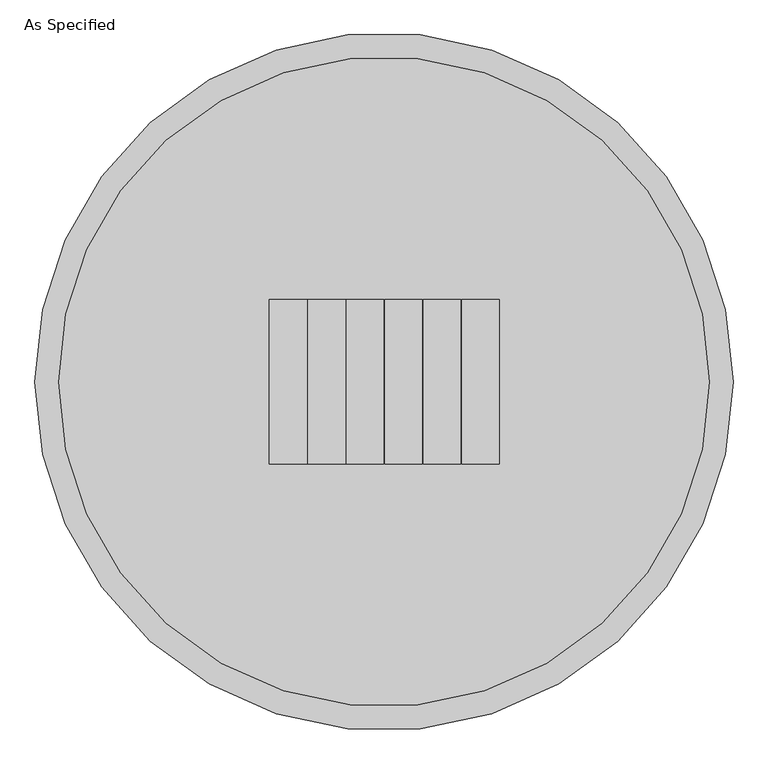
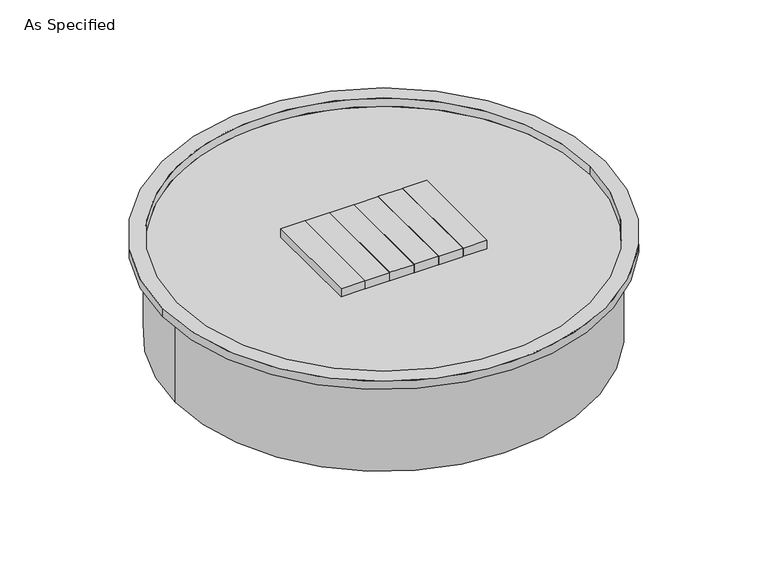
"""IFC4 building model written with IfcOpenShell, lengths in millimetres: proxy geometry, As Specified."""

from ifc_helpers import new_model, si_unit, frame, origin, place, context, project, spatial, polyline, circle_curve, source, transform, mapped, element, save
from ifc_brep_helpers import plane_surface, cylinder_surface, revolved_surface, advanced_brep


def as_specified_920969c4(model_context):
    return source(origin(), model_context, "Body", "AdvancedBrep", [
        advanced_brep(
        [(-142.7479982, 152.4000019, 25.4), (-212.597996, 152.4000019, 25.4), (-212.597996, -152.4000019, 25.4), (-142.7479982, -152.4000019, 25.4), (-71.3739991, -152.4000019, 25.4), (-71.3739991, 152.4000019, 25.4), (-141.2239969, 152.4000019, 25.4), (-141.2239969, -152.4000019, 25.4), (0.0, 152.4000019, 25.4), (-69.8499978, 152.4000019, 25.4), (-69.8499978, -152.4000019, 25.4), (0.0, -152.4000019, 25.4), (71.3739991, -152.4000019, 25.4), (71.3739991, 152.4000019, 25.4), (1.524, 152.4000019, 25.4), (1.524, -152.4000019, 25.4), (142.7479982, 152.4000019, 25.4), (72.8980005, 152.4000019, 25.4), (72.8980005, -152.4000019, 25.4), (142.7479982, -152.4000019, 25.4), (214.1219974, -152.4000019, 25.4), (214.1219974, 152.4000019, 25.4), (144.2719996, 152.4000019, 25.4), (144.2719996, -152.4000019, 25.4), (647.7, 0.0, 25.4), (-647.7, 0.0, 25.4), (603.25, 0.0, 25.4), (-603.25, 0.0, 25.4), (647.7, 0.0, 0.0), (-647.7, 0.0, 0.0), (-609.6, 0.0, 0.0), (609.6, 0.0, 0.0), (-609.6, 0.0, -279.4), (609.6, 0.0, -279.4), (-603.25, 0.0, 0.0), (603.25, 0.0, 0.0), (-212.597996, 152.4000019, 0.0), (-142.7479982, 152.4000019, 0.0), (-142.7479982, -152.4000019, 0.0), (-212.597996, -152.4000019, 0.0), (-71.3739991, 152.4000019, 0.0), (-71.3739991, -152.4000019, 0.0), (-141.2239969, -152.4000019, 0.0), (-141.2239969, 152.4000019, 0.0), (-69.8499978, 152.4000019, 0.0), (0.0, 152.4000019, 0.0), (0.0, -152.4000019, 0.0), (-69.8499978, -152.4000019, 0.0), (71.3739991, 152.4000019, 0.0), (71.3739991, -152.4000019, 0.0), (1.524, -152.4000019, 0.0), (1.524, 152.4000019, 0.0), (72.8980005, 152.4000019, 0.0), (142.7479982, 152.4000019, 0.0), (142.7479982, -152.4000019, 0.0), (72.8980005, -152.4000019, 0.0), (214.1219974, 152.4000019, 0.0), (214.1219974, -152.4000019, 0.0), (144.2719996, -152.4000019, 0.0), (144.2719996, 152.4000019, 0.0)],
        [
            (0, 1),
            (1, 2),
            (2, 3),
            (3, 0),
            (4, 5),
            (5, 6),
            (6, 7),
            (7, 4),
            (8, 9),
            (9, 10),
            (10, 11),
            (11, 8),
            (12, 13),
            (13, 14),
            (14, 15),
            (15, 12),
            (16, 17),
            (17, 18),
            (18, 19),
            (19, 16),
            (20, 21),
            (21, 22),
            (22, 23),
            (23, 20),
            (24, 25, circle_curve(frame((0.0, 0.0, 25.4), z_axis=(0.0, 0.0, 1.0), x_axis=(-1.0, 0.0, 0.0)), 647.7)),
            (25, 24, circle_curve(frame((0.0, 0.0, 25.4), z_axis=(0.0, 0.0, 1.0), x_axis=(-1.0, 0.0, 0.0)), 647.7)),
            (26, 27, circle_curve(frame((0.0, 0.0, 25.4), z_axis=(0.0, 0.0, -1.0), x_axis=(-1.0, 0.0, 0.0)), 603.25)),
            (27, 26, circle_curve(frame((0.0, 0.0, 25.4), z_axis=(0.0, 0.0, -1.0), x_axis=(-1.0, 0.0, 0.0)), 603.25)),
            (28, 29, circle_curve(frame((0.0, 0.0, 0.0), z_axis=(0.0, 0.0, -1.0), x_axis=(-1.0, 0.0, 0.0)), 647.7)),
            (29, 28, circle_curve(frame((0.0, 0.0, 0.0), z_axis=(0.0, 0.0, -1.0), x_axis=(-1.0, 0.0, 0.0)), 647.7)),
            (30, 31, circle_curve(frame((0.0, 0.0, 0.0), z_axis=(0.0, 0.0, 1.0), x_axis=(-1.0, 0.0, 0.0)), 609.6)),
            (31, 30, circle_curve(frame((0.0, 0.0, 0.0), z_axis=(0.0, 0.0, 1.0), x_axis=(-1.0, 0.0, 0.0)), 609.6)),
            (32, 33, circle_curve(frame((0.0, 0.0, -279.4), z_axis=(0.0, 0.0, -1.0), x_axis=(-1.0, 0.0, 0.0)), 609.6)),
            (33, 32, circle_curve(frame((0.0, 0.0, -279.4), z_axis=(0.0, 0.0, -1.0), x_axis=(-1.0, 0.0, 0.0)), 609.6)),
            (34, 35, circle_curve(frame((0.0, 0.0, 0.0), z_axis=(0.0, 0.0, 1.0), x_axis=(-1.0, 0.0, 0.0)), 603.25)),
            (35, 34, circle_curve(frame((0.0, 0.0, 0.0), z_axis=(0.0, 0.0, 1.0), x_axis=(-1.0, 0.0, 0.0)), 603.25)),
            (36, 37),
            (37, 38),
            (38, 39),
            (39, 36),
            (40, 41),
            (41, 42),
            (42, 43),
            (43, 40),
            (44, 45),
            (45, 46),
            (46, 47),
            (47, 44),
            (48, 49),
            (49, 50),
            (50, 51),
            (51, 48),
            (52, 53),
            (53, 54),
            (54, 55),
            (55, 52),
            (56, 57),
            (57, 58),
            (58, 59),
            (59, 56),
            (33, 31),
            (30, 32),
            (0, 37),
            (36, 1),
            (39, 2),
            (38, 3),
            (4, 41),
            (40, 5),
            (43, 6),
            (42, 7),
            (8, 45),
            (44, 9),
            (47, 10),
            (46, 11),
            (12, 49),
            (48, 13),
            (51, 14),
            (50, 15),
            (16, 53),
            (52, 17),
            (55, 18),
            (54, 19),
            (20, 57),
            (56, 21),
            (59, 22),
            (58, 23),
            (26, 35),
            (34, 27),
            (24, 28),
            (29, 25),
        ],
        [
            plane_surface(frame((-212.597996, 152.4000019, 25.4), z_axis=(0.0, 0.0, 1.0), x_axis=(-1.0, 0.0, 0.0))),
            plane_surface(frame((-212.597996, 152.4000019, 0.0), z_axis=(0.0, 0.0, -1.0), x_axis=(1.0, 0.0, 0.0))),
            plane_surface(frame((-609.6, 0.0, -279.4), z_axis=(0.0, 0.0, -1.0), x_axis=(0.0, 1.0, 0.0))),
            plane_surface(frame((-609.6, 0.0, 0.0), z_axis=(0.0, 0.0, 1.0), x_axis=(0.0, -1.0, 0.0))),
            cylinder_surface(frame((0.0, 0.0, -279.4), z_axis=(0.0, 0.0, 1.0), x_axis=(-1.0, 0.0, 0.0)), 609.6),
            plane_surface(frame((-142.7479982, 152.4000019, 25.4), z_axis=(0.0, 1.0, 0.0), x_axis=(0.0, 0.0, -1.0))),
            plane_surface(frame((-212.597996, 152.4000019, 25.4), z_axis=(-1.0, 0.0, 0.0), x_axis=(0.0, 0.0, -1.0))),
            plane_surface(frame((-212.597996, -152.4000019, 25.4), z_axis=(0.0, -1.0, 0.0), x_axis=(0.0, 0.0, -1.0))),
            plane_surface(frame((-142.7479982, -152.4000019, 25.4), z_axis=(1.0, 0.0, 0.0), x_axis=(0.0, 0.0, -1.0))),
            plane_surface(frame((-71.3739991, -152.4000019, 25.4), z_axis=(1.0, 0.0, 0.0), x_axis=(0.0, 0.0, -1.0))),
            plane_surface(frame((-71.3739991, 152.4000019, 25.4), z_axis=(0.0, 1.0, 0.0), x_axis=(0.0, 0.0, -1.0))),
            plane_surface(frame((-141.2239969, 152.4000019, 25.4), z_axis=(-1.0, 0.0, 0.0), x_axis=(0.0, 0.0, -1.0))),
            plane_surface(frame((-141.2239969, -152.4000019, 25.4), z_axis=(0.0, -1.0, 0.0), x_axis=(0.0, 0.0, -1.0))),
            plane_surface(frame((0.0, 152.4000019, 25.4), z_axis=(0.0, 1.0, 0.0), x_axis=(0.0, 0.0, -1.0))),
            plane_surface(frame((-69.8499978, 152.4000019, 25.4), z_axis=(-1.0, 0.0, 0.0), x_axis=(0.0, 0.0, -1.0))),
            plane_surface(frame((-69.8499978, -152.4000019, 25.4), z_axis=(0.0, -1.0, 0.0), x_axis=(0.0, 0.0, -1.0))),
            plane_surface(frame((0.0, -152.4000019, 25.4), z_axis=(1.0, 0.0, 0.0), x_axis=(0.0, 0.0, -1.0))),
            plane_surface(frame((71.3739991, -152.4000019, 25.4), z_axis=(1.0, 0.0, 0.0), x_axis=(0.0, 0.0, -1.0))),
            plane_surface(frame((71.3739991, 152.4000019, 25.4), z_axis=(0.0, 1.0, 0.0), x_axis=(0.0, 0.0, -1.0))),
            plane_surface(frame((1.524, 152.4000019, 25.4), z_axis=(-1.0, 0.0, 0.0), x_axis=(0.0, 0.0, -1.0))),
            plane_surface(frame((1.524, -152.4000019, 25.4), z_axis=(0.0, -1.0, 0.0), x_axis=(0.0, 0.0, -1.0))),
            plane_surface(frame((142.7479982, 152.4000019, 25.4), z_axis=(0.0, 1.0, 0.0), x_axis=(0.0, 0.0, -1.0))),
            plane_surface(frame((72.8980005, 152.4000019, 25.4), z_axis=(-1.0, 0.0, 0.0), x_axis=(0.0, 0.0, -1.0))),
            plane_surface(frame((72.8980005, -152.4000019, 25.4), z_axis=(0.0, -1.0, 0.0), x_axis=(0.0, 0.0, -1.0))),
            plane_surface(frame((142.7479982, -152.4000019, 25.4), z_axis=(1.0, 0.0, 0.0), x_axis=(0.0, 0.0, -1.0))),
            plane_surface(frame((214.1219974, -152.4000019, 25.4), z_axis=(1.0, 0.0, 0.0), x_axis=(0.0, 0.0, -1.0))),
            plane_surface(frame((214.1219974, 152.4000019, 25.4), z_axis=(0.0, 1.0, 0.0), x_axis=(0.0, 0.0, -1.0))),
            plane_surface(frame((144.2719996, 152.4000019, 25.4), z_axis=(-1.0, 0.0, 0.0), x_axis=(0.0, 0.0, -1.0))),
            plane_surface(frame((144.2719996, -152.4000019, 25.4), z_axis=(0.0, -1.0, 0.0), x_axis=(0.0, 0.0, -1.0))),
            revolved_surface(polyline([(-603.25, 0.0, 0.0), (-603.25, 0.0, 25.4)]), (0.0, 0.0, 0.0), (0.0, 0.0, -1.0)),
            cylinder_surface(frame((0.0, 0.0, 0.0), z_axis=(0.0, 0.0, 1.0), x_axis=(-1.0, 0.0, 0.0)), 647.7),
        ],
        [
            (0, [[1, 2, 3, 4]]),
            (0, [[5, 6, 7, 8]]),
            (0, [[9, 10, 11, 12]]),
            (0, [[13, 14, 15, 16]]),
            (0, [[17, 18, 19, 20]]),
            (0, [[21, 22, 23, 24]]),
            (0, [[25, 26], [27, 28]]),
            (1, [[29, 30], [31, 32]]),
            (2, [[33, 34]]),
            (3, [[35, 36], [37, 38, 39, 40], [41, 42, 43, 44], [45, 46, 47, 48], [49, 50, 51, 52], [53, 54, 55, 56], [57, 58, 59, 60]]),
            (4, [[-34, 61, -31, 62]]),
            (4, [[-33, -62, -32, -61]]),
            (5, [[-1, 63, -37, 64]]),
            (6, [[-2, -64, -40, 65]]),
            (7, [[-3, -65, -39, 66]]),
            (8, [[-4, -66, -38, -63]]),
            (9, [[-5, 67, -41, 68]]),
            (10, [[-6, -68, -44, 69]]),
            (11, [[-7, -69, -43, 70]]),
            (12, [[-8, -70, -42, -67]]),
            (13, [[-9, 71, -45, 72]]),
            (14, [[-10, -72, -48, 73]]),
            (15, [[-11, -73, -47, 74]]),
            (16, [[-12, -74, -46, -71]]),
            (17, [[-13, 75, -49, 76]]),
            (18, [[-14, -76, -52, 77]]),
            (19, [[-15, -77, -51, 78]]),
            (20, [[-16, -78, -50, -75]]),
            (21, [[-17, 79, -53, 80]]),
            (22, [[-18, -80, -56, 81]]),
            (23, [[-19, -81, -55, 82]]),
            (24, [[-20, -82, -54, -79]]),
            (25, [[-21, 83, -57, 84]]),
            (26, [[-22, -84, -60, 85]]),
            (27, [[-23, -85, -59, 86]]),
            (28, [[-24, -86, -58, -83]]),
            (29, [[-27, 87, -35, 88]]),
            (29, [[-28, -88, -36, -87]]),
            (30, [[-25, 89, -30, 90]]),
            (30, [[-26, -90, -29, -89]]),
        ],
    ),
    ])


if __name__ == "__main__":
    model = new_model("IFC4")
    model_context = context("Model", 3, world=origin())
    ifc_project = project(units=[si_unit("LENGTHUNIT", "METRE", prefix="MILLI")], contexts=[model_context])
    site = spatial("IfcSite", under=ifc_project)
    building = spatial("IfcBuilding", under=site)
    placement = place(None, origin())
    as_specified_shape = as_specified_920969c4(model_context)
    element("IfcBuildingElementProxy", 1, Name="As Specified", ObjectType="As Specified", at=placement, inside=building, context=model_context, shape_type="MappedRepresentation", body=[
        mapped(as_specified_shape, transform((0.0, 0.0, 0.0), x_axis=(1.0, 0.0, 0.0), y_axis=(0.0, 1.0, 0.0), z_axis=(0.0, 0.0, 1.0))),
    ])
    save(model, "model.ifc")
